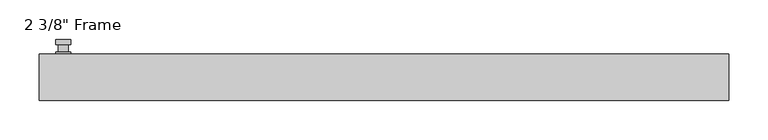
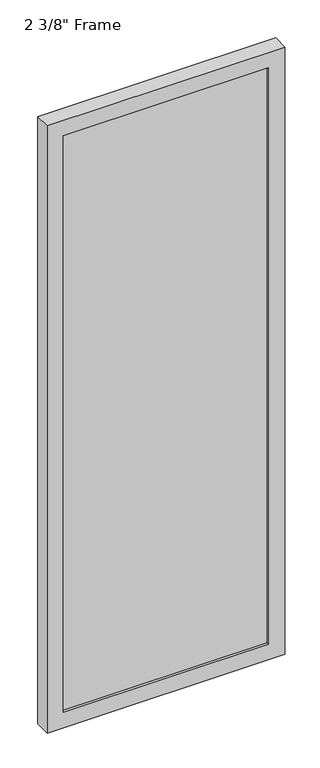
"""IFC4 building model written with IfcOpenShell, lengths in millimetres: plate geometry."""

from ifc_helpers import new_model, si_unit, frame, origin, place, context, project, spatial, polyline, circle_curve, outline, extrude, faceted_brep, source, transform, mapped, element, save
from ifc_brep_helpers import plane_surface, cylinder_surface, advanced_brep


def plate_3e5a7981(model_context):
    return source(origin(), model_context, "Body", "SolidModel", [
        advanced_brep(
        [(-398.4625, 29.36875, 927.1), (-417.5125, 29.36875, 927.1), (-417.5125, 29.36875, 901.7), (-398.4625, 29.36875, 901.7), (-401.6375, 42.06875, 914.4), (-401.6375, 32.54375, 914.4), (-414.3375, 32.54375, 914.4), (-414.3375, 42.06875, 914.4), (-398.4625, 42.06875, 914.4), (-417.5125, 42.06875, 914.4), (-414.3334644, 42.06875, 825.2736467), (-401.6415356, 42.06875, 825.2736467), (-398.4625, 48.41875, 914.4), (-401.6415356, 48.41875, 825.2736467), (-414.3334644, 48.41875, 825.2736467), (-417.5125, 48.41875, 914.4), (-398.4625, 32.54375, 927.1), (-398.4625, 32.54375, 901.7), (-417.5125, 32.54375, 901.7), (-417.5125, 32.54375, 927.1)],
        [
            (0, 1, circle_curve(frame((-407.9875, 29.36875, 927.1), z_axis=(0.0, -1.0, 0.0), x_axis=(-1.0, 0.0, 0.0)), 9.525)),
            (1, 2),
            (2, 3, circle_curve(frame((-407.9875, 29.36875, 901.7), z_axis=(0.0, -1.0, 0.0), x_axis=(-1.0, 0.0, 0.0)), 9.525)),
            (3, 0),
            (4, 5),
            (5, 6, circle_curve(frame((-407.9875, 32.54375, 914.4), z_axis=(0.0, 1.0, 0.0), x_axis=(-1.0, 0.0, 0.0)), 6.35)),
            (6, 7),
            (7, 4, circle_curve(frame((-407.9875, 42.06875, 914.4), z_axis=(0.0, -1.0, 0.0), x_axis=(-1.0, 0.0, 0.0)), 6.35)),
            (6, 5, circle_curve(frame((-407.9875, 32.54375, 914.4), z_axis=(0.0, 1.0, 0.0), x_axis=(-1.0, 0.0, 0.0)), 6.35)),
            (4, 7, circle_curve(frame((-407.9875, 42.06875, 914.4), z_axis=(0.0, -1.0, 0.0), x_axis=(-1.0, 0.0, 0.0)), 6.35)),
            (8, 9, circle_curve(frame((-407.9875, 42.06875, 914.4), z_axis=(0.0, -1.0, 0.0), x_axis=(-1.0, 0.0, 0.0)), 9.525)),
            (9, 10),
            (10, 11, circle_curve(frame((-407.9875, 42.06875, 825.5), z_axis=(0.0, -1.0, 0.0), x_axis=(-1.0, 0.0, 0.0)), 6.35)),
            (11, 8),
            (12, 13),
            (13, 14, circle_curve(frame((-407.9875, 48.41875, 825.5), z_axis=(0.0, 1.0, 0.0), x_axis=(-1.0, 0.0, 0.0)), 6.35)),
            (14, 15),
            (15, 12, circle_curve(frame((-407.9875, 48.41875, 914.4), z_axis=(0.0, 1.0, 0.0), x_axis=(-1.0, 0.0, 0.0)), 9.525)),
            (11, 13),
            (12, 8),
            (10, 14),
            (9, 15),
            (16, 17),
            (17, 18, circle_curve(frame((-407.9875, 32.54375, 901.7), z_axis=(0.0, 1.0, 0.0), x_axis=(-1.0, 0.0, 0.0)), 9.525)),
            (18, 19),
            (19, 16, circle_curve(frame((-407.9875, 32.54375, 927.1), z_axis=(0.0, 1.0, 0.0), x_axis=(-1.0, 0.0, 0.0)), 9.525)),
            (3, 17),
            (16, 0),
            (2, 18),
            (1, 19),
        ],
        [
            plane_surface(frame((-414.3375, 29.36875, 914.4), z_axis=(0.0, -1.0, 0.0), x_axis=(0.0, 0.0, 1.0))),
            cylinder_surface(frame((-407.9875, 42.06875, 914.4), z_axis=(0.0, -1.0, 0.0), x_axis=(-1.0, 0.0, 0.0)), 6.35),
            plane_surface(frame((-398.4625, 42.06875, 914.4), z_axis=(0.0, -1.0000000000000002, 0.0), x_axis=(-0.03564619348186888, 0.0, -0.9993644724975235))),
            plane_surface(frame((-398.4625, 48.41875, 914.4), z_axis=(0.0, 1.0000000000000002, 0.0), x_axis=(0.03564619348186888, 0.0, 0.9993644724975235))),
            plane_surface(frame((-398.4625, 42.06875, 914.4), z_axis=(0.9993644724975235, 0.0, -0.03564619348186888), x_axis=(0.0, 1.0, 0.0))),
            cylinder_surface(frame((-407.9875, 48.41875, 825.5), z_axis=(0.0, -1.0, 0.0), x_axis=(-1.0, 0.0, 0.0)), 6.35),
            plane_surface(frame((-414.3334644, 42.06875, 825.2736467), z_axis=(-0.9993644724975228, 0.0, -0.03564619348188612), x_axis=(0.0, 1.0, 0.0))),
            cylinder_surface(frame((-407.9875, 48.41875, 914.4), z_axis=(0.0, -1.0, 0.0), x_axis=(-1.0, 0.0, 0.0)), 9.525),
            plane_surface(frame((-398.4625, 32.54375, 901.7), z_axis=(0.0, 1.0, 0.0), x_axis=(0.0, 0.0, 1.0))),
            plane_surface(frame((-398.4625, 29.36875, 927.1), z_axis=(1.0, 0.0, 0.0), x_axis=(0.0, 1.0, 0.0))),
            cylinder_surface(frame((-407.9875, 32.54375, 901.7), z_axis=(0.0, -1.0, 0.0), x_axis=(-1.0, 0.0, 0.0)), 9.525),
            plane_surface(frame((-417.5125, 29.36875, 901.7), z_axis=(-1.0, 0.0, 0.0), x_axis=(0.0, 1.0, 0.0))),
            cylinder_surface(frame((-407.9875, 32.54375, 927.1), z_axis=(0.0, -1.0, 0.0), x_axis=(-1.0, 0.0, 0.0)), 9.525),
        ],
        [
            (0, [[1, 2, 3, 4]]),
            (1, [[5, 6, 7, 8]]),
            (1, [[-7, 9, -5, 10]]),
            (2, [[11, 12, 13, 14], [-10, -8]]),
            (3, [[15, 16, 17, 18]]),
            (4, [[19, -15, 20, -14]]),
            (5, [[21, -16, -19, -13]]),
            (6, [[22, -17, -21, -12]]),
            (7, [[-20, -18, -22, -11]]),
            (8, [[23, 24, 25, 26], [-9, -6]]),
            (9, [[27, -23, 28, -4]]),
            (10, [[29, -24, -27, -3]]),
            (11, [[30, -25, -29, -2]]),
            (12, [[-28, -26, -30, -1]]),
        ],
    ),
        faceted_brep([(-438.15, 29.36875, 0.0), (438.15, 29.36875, 0.0), (438.15, -29.36875, 0.0), (-438.15, -29.36875, 0.0), (-377.825, -29.36875, 2306.6375), (-377.825, -29.36875, 60.325), (-377.825, -19.84375, 60.325), (-377.825, -19.84375, 2306.6375), (390.525, -19.84375, 2319.3375), (390.525, -19.84375, 47.625), (-390.525, -19.84375, 47.625), (-390.525, -19.84375, 2319.3375), (377.825, -19.84375, 60.325), (377.825, -19.84375, 2306.6375), (-390.525, 3.96875, 47.625), (-390.525, 3.96875, 2319.3375), (390.525, 3.96875, 47.625), (390.525, 3.96875, 2319.3375), (-377.825, 3.96875, 2306.6375), (377.825, 3.96875, 2306.6375), (377.825, 3.96875, 60.325), (-377.825, 3.96875, 60.325), (-377.825, 29.36875, 60.325), (-377.825, 29.36875, 2306.6375), (-438.15, 29.36875, 2366.9625), (438.15, 29.36875, 2366.9625), (377.825, 29.36875, 60.325), (377.825, 29.36875, 2306.6375), (-438.15, -29.36875, 2366.9625), (438.15, -29.36875, 2366.9625), (377.825, -29.36875, 2306.6375), (377.825, -29.36875, 60.325)], [[[0, 1, 2, 3]], [[4, 5, 6, 7]], [[8, 9, 10, 11], [7, 6, 12, 13]], [[10, 14, 15, 11]], [[15, 14, 16, 17], [18, 19, 20, 21]], [[18, 21, 22, 23]], [[0, 24, 25, 1], [23, 22, 26, 27]], [[3, 28, 24, 0]], [[2, 29, 28, 3], [4, 30, 31, 5]], [[7, 13, 30, 4]], [[11, 15, 17, 8]], [[18, 23, 27, 19]], [[24, 28, 29, 25]], [[13, 12, 31, 30]], [[16, 9, 8, 17]], [[27, 26, 20, 19]], [[25, 29, 2, 1]], [[22, 21, 20, 26]], [[9, 16, 14, 10]], [[6, 5, 31, 12]]]),
        extrude(outline(polyline([(390.525, 3.96875), (390.525, -19.84375), (-390.525, -19.84375), (-390.525, 3.96875), (390.525, 3.96875)])), frame((0.0, 0.0, 47.625), z_axis=(0.0, 0.0, 1.0), x_axis=(1.0, 0.0, 0.0)), (0.0, 0.0, 1.0), 2271.7125),
    ])


if __name__ == "__main__":
    model = new_model("IFC4")
    model_context = context("Model", 3, world=origin())
    ifc_project = project(units=[si_unit("LENGTHUNIT", "METRE", prefix="MILLI")], contexts=[model_context])
    site = spatial("IfcSite", under=ifc_project)
    building = spatial("IfcBuilding", under=site)
    placement = place(None, origin())
    plate_shape = plate_3e5a7981(model_context)
    element("IfcPlate", 1, ObjectType="2 3/8\" Frame", at=placement, inside=building, context=model_context, shape_type="MappedRepresentation", body=[
        mapped(plate_shape, transform((0.0, 0.0, 0.0), x_axis=(1.0, 0.0, 0.0), y_axis=(0.0, 1.0, 0.0), z_axis=(0.0, 0.0, 1.0))),
    ])
    save(model, "model.ifc")
